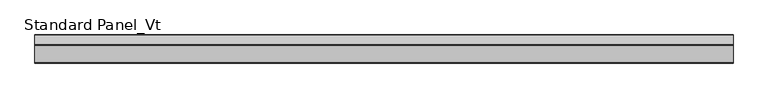
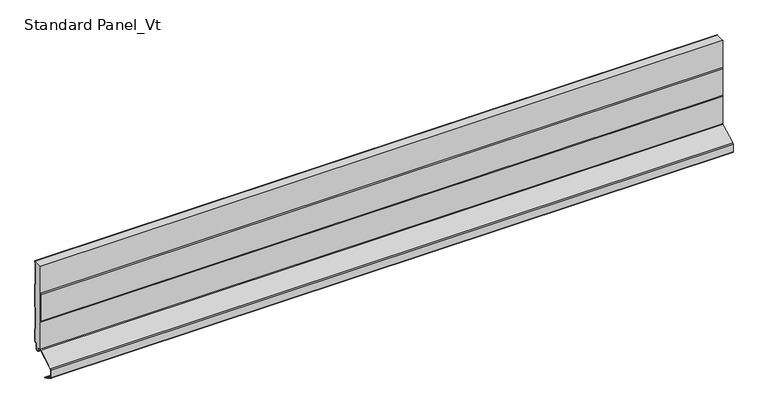
"""IFC4 building model written with IfcOpenShell, lengths in millimetres: proxy geometry, Standard Panel_Vt."""

from ifc_helpers import new_model, si_unit, point, frame, frame_2d, origin, place, context, project, spatial, polyline, circle_curve, trimmed, segment, composite_curve, outline, extrude, source, transform, mapped, element, save


def standard_panel_vt_ad699450(model_context):
    return source(origin(), model_context, "Body", "SweptSolid", [
        extrude(outline(composite_curve([segment(polyline([(-19.186297, 32.543601), (-19.186297, 93.8381725), (-20.1546867, 96.2198058), (-20.1546867, 156.0111465), (-19.186297, 158.3927799), (-19.186297, 219.2), (-0.8, 219.2), (-0.8, 216.0956151), (-1.8, 214.3635643), (-1.8, 167.8989472), (-0.786297, 166.1668964), (-0.786297, 117.0974098), (-1.786297, 115.3229083), (-1.786297, 68.8989472), (-0.786297, 67.1668964), (-0.786297, 40.153601)]), True, "CONTINUOUS"), segment(trimmed(circle_curve(frame_2d((-2.036297, 40.153601)), 1.25), [point((-0.786297, 40.153601))], [point((-2.036297, 38.903601))], False, "CARTESIAN"), True, "CONTINUOUS"), segment(polyline([(-2.036297, 38.903601), (-3.436297, 38.903601)]), True, "CONTINUOUS"), segment(trimmed(circle_curve(frame_2d((-3.436297, 36.153601)), 2.75), [point((-3.436297, 38.903601))], [point((-6.186297, 36.153601))], True, "CARTESIAN"), True, "CONTINUOUS"), segment(polyline([(-6.186297, 36.153601), (-6.186297, 26.353601)]), True, "CONTINUOUS"), segment(trimmed(circle_curve(frame_2d((-9.036297, 26.353601)), 2.85), [point((-6.186297, 26.353601))], [point((-11.8132517, 25.7124905))], False, "CARTESIAN"), True, "CONTINUOUS"), segment(polyline([(-11.8132517, 25.7124905), (-13.0699171, 31.1557062), (-19.5970804, 31.1557062)]), True, "CONTINUOUS"), segment(trimmed(circle_curve(frame_2d((-21.736297, 32.543601)), 2.55), [point((-19.5970804, 31.1557062))], [point((-19.186297, 32.543601))], True, "CARTESIAN"), True, "CONTINUOUS")], self_intersect=False)), frame((-723.9042608, 0.0, 0.0), z_axis=(1.0, 0.0, 0.0), x_axis=(0.0, 1.0, 0.0)), (0.0, 0.0, 1.0), 1447.8085217),
        extrude(outline(composite_curve([segment(polyline([(-20.0, 32.543601), (-20.0, 93.6817477), (-20.9683897, 96.0633811), (-20.9683897, 156.1675713), (-20.0, 158.5492046), (-20.0, 219.2), (-19.2, 219.2), (-19.2, 158.3927799), (-20.1683897, 156.0111465), (-20.1683897, 96.2198058), (-19.2, 93.8381725), (-19.2, 32.543601)]), True, "CONTINUOUS"), segment(trimmed(circle_curve(frame_2d((-21.75, 32.543601)), 2.55), [point((-19.2, 32.543601))], [point((-20.5528475, 30.2920847))], False, "CARTESIAN"), True, "CONTINUOUS"), segment(polyline([(-20.5528475, 30.2920847), (-56.4808064, 11.1888501)]), True, "CONTINUOUS"), segment(trimmed(circle_curve(frame_2d((-55.5183897, 9.3788075)), 2.05), [point((-56.4808064, 11.1888501))], [point((-57.5683897, 9.3788075))], True, "CARTESIAN"), True, "CONTINUOUS"), segment(polyline([(-57.5683897, 9.3788075), (-57.5683897, -7.362)]), True, "CONTINUOUS"), segment(trimmed(circle_curve(frame_2d((-55.5183897, -7.362)), 2.05), [point((-57.5683897, -7.362))], [point((-56.4808064, -9.1720426))], True, "CARTESIAN"), True, "CONTINUOUS"), segment(polyline([(-56.4808064, -9.1720426), (-47.1800551, -14.1173397), (-44.9723908, -16.438449), (-41.7360251, -17.0119818), (-35.8533964, -20.139831), (-36.2289737, -20.846189), (-42.000038, -17.7776597), (-45.3708693, -17.1802976), (-47.6702585, -14.76275), (-56.8563836, -9.8784006)]), True, "CONTINUOUS"), segment(trimmed(circle_curve(frame_2d((-55.5183897, -7.362)), 2.85), [point((-56.8563836, -9.8784006))], [point((-58.3683897, -7.362))], False, "CARTESIAN"), True, "CONTINUOUS"), segment(polyline([(-58.3683897, -7.362), (-58.3683897, 9.3788075)]), True, "CONTINUOUS"), segment(trimmed(circle_curve(frame_2d((-55.5183897, 9.3788075)), 2.85), [point((-58.3683897, 9.3788075))], [point((-56.8563836, 11.8952082))], False, "CARTESIAN"), True, "CONTINUOUS"), segment(polyline([(-56.8563836, 11.8952082), (-20.9284248, 30.9984427)]), True, "CONTINUOUS"), segment(trimmed(circle_curve(frame_2d((-21.75, 32.543601)), 1.75), [point((-20.9284248, 30.9984427))], [point((-20.0, 32.543601))], True, "CARTESIAN"), True, "CONTINUOUS")], self_intersect=False)), frame((-723.9042608, 0.0, 0.0), z_axis=(1.0, 0.0, 0.0), x_axis=(0.0, 1.0, 0.0)), (0.0, 0.0, 1.0), 1447.8085217),
        extrude(outline(composite_curve([segment(polyline([(-0.8, 216.0956151), (-0.8, 219.2), (0.0, 219.2), (0.0, 215.8812557), (-1.0, 214.1492049), (-1.0, 168.1133065), (0.013703, 166.3812557), (0.013703, 116.8875118), (-0.986297, 115.1130103), (-0.986297, 69.1133065), (0.013703, 67.3812557), (0.013703, 40.153601)]), True, "CONTINUOUS"), segment(trimmed(circle_curve(frame_2d((-2.036297, 40.153601)), 2.05), [point((0.013703, 40.153601))], [point((-2.036297, 38.103601))], False, "CARTESIAN"), True, "CONTINUOUS"), segment(polyline([(-2.036297, 38.103601), (-3.436297, 38.103601)]), True, "CONTINUOUS"), segment(trimmed(circle_curve(frame_2d((-3.436297, 36.153601)), 1.95), [point((-3.436297, 38.103601))], [point((-5.386297, 36.153601))], True, "CARTESIAN"), True, "CONTINUOUS"), segment(polyline([(-5.386297, 36.153601), (-5.386297, 26.353601)]), True, "CONTINUOUS"), segment(trimmed(circle_curve(frame_2d((-9.036297, 26.353601)), 3.65), [point((-5.386297, 26.353601))], [point((-12.5927478, 25.5325297))], False, "CARTESIAN"), True, "CONTINUOUS"), segment(polyline([(-12.5927478, 25.5325297), (-13.8494131, 30.9757453), (-13.0699171, 31.1557062), (-11.8132517, 25.7124905)]), True, "CONTINUOUS"), segment(trimmed(circle_curve(frame_2d((-9.036297, 26.353601)), 2.85), [point((-11.8132517, 25.7124905))], [point((-6.186297, 26.353601))], True, "CARTESIAN"), True, "CONTINUOUS"), segment(polyline([(-6.186297, 26.353601), (-6.186297, 36.153601)]), True, "CONTINUOUS"), segment(trimmed(circle_curve(frame_2d((-3.436297, 36.153601)), 2.75), [point((-6.186297, 36.153601))], [point((-3.436297, 38.903601))], False, "CARTESIAN"), True, "CONTINUOUS"), segment(polyline([(-3.436297, 38.903601), (-2.036297, 38.903601)]), True, "CONTINUOUS"), segment(trimmed(circle_curve(frame_2d((-2.036297, 40.153601)), 1.25), [point((-2.036297, 38.903601))], [point((-0.786297, 40.153601))], True, "CARTESIAN"), True, "CONTINUOUS"), segment(polyline([(-0.786297, 40.153601), (-0.786297, 67.1668964), (-1.786297, 68.8989472), (-1.786297, 115.3229083), (-0.786297, 117.0974098), (-0.786297, 166.1668964), (-1.8, 167.8989472), (-1.8, 214.3635643), (-0.8, 216.0956151)]), True, "CONTINUOUS")], self_intersect=False)), frame((-723.9042608, 0.0, 0.0), z_axis=(1.0, 0.0, 0.0), x_axis=(0.0, 1.0, 0.0)), (0.0, 0.0, 1.0), 1447.8085217),
    ])


if __name__ == "__main__":
    model = new_model("IFC4")
    model_context = context("Model", 3, world=origin())
    ifc_project = project(units=[si_unit("LENGTHUNIT", "METRE", prefix="MILLI")], contexts=[model_context])
    site = spatial("IfcSite", under=ifc_project)
    building = spatial("IfcBuilding", under=site)
    placement = place(None, origin())
    standard_panel_vt_shape = standard_panel_vt_ad699450(model_context)
    element("IfcBuildingElementProxy", 1, Name="Standard Panel_Vt", ObjectType="Standard Panel_Vt", at=placement, inside=building, context=model_context, shape_type="MappedRepresentation", body=[
        mapped(standard_panel_vt_shape, transform((0.0, 0.0, 0.0), x_axis=(1.0, 0.0, 0.0), y_axis=(0.0, 1.0, 0.0), z_axis=(0.0, 0.0, 1.0))),
    ])
    save(model, "model.ifc")
